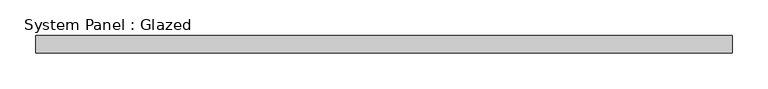
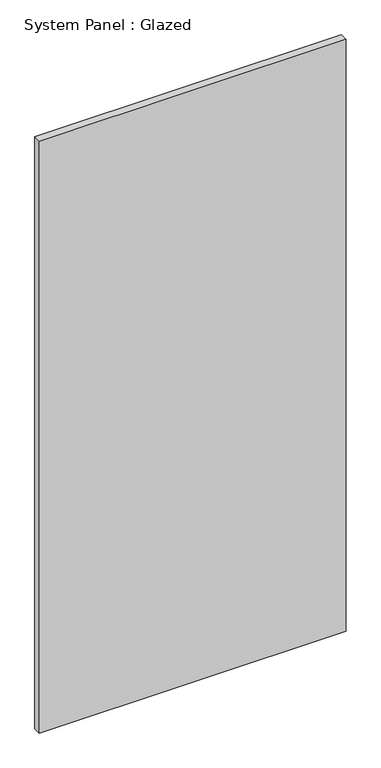
"""IFC4 building model written with IfcOpenShell, lengths in millimetres: plate geometry, System Panel : Glazed."""

from ifc_helpers import new_model, si_unit, origin, origin_with_axes, place, context, project, spatial, polyline, outline, extrude, source, transform, mapped, element, save


def system_panel_glazed_85d5e470(model_context):
    return source(origin(), model_context, "Body", "SweptSolid", [
        extrude(outline(polyline([(490.3084821, 24.5), (-490.3084821, 24.5), (-490.3084821, 49.5), (490.3084821, 49.5), (490.3084821, 24.5)])), origin_with_axes(), (0.0, 0.0, 1.0), 2000.0),
    ])


if __name__ == "__main__":
    model = new_model("IFC4")
    model_context = context("Model", 3, world=origin())
    ifc_project = project(units=[si_unit("LENGTHUNIT", "METRE", prefix="MILLI")], contexts=[model_context])
    site = spatial("IfcSite", under=ifc_project)
    building = spatial("IfcBuilding", under=site)
    placement = place(None, origin())
    system_panel_glazed_shape = system_panel_glazed_85d5e470(model_context)
    element("IfcPlate", 1, ObjectType="System Panel : Glazed", at=placement, inside=building, context=model_context, shape_type="MappedRepresentation", body=[
        mapped(system_panel_glazed_shape, transform((0.0, 0.0, 0.0), x_axis=(1.0, 0.0, 0.0), y_axis=(0.0, 1.0, 0.0), z_axis=(0.0, 0.0, 1.0))),
    ])
    save(model, "model.ifc")
